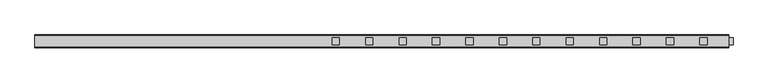
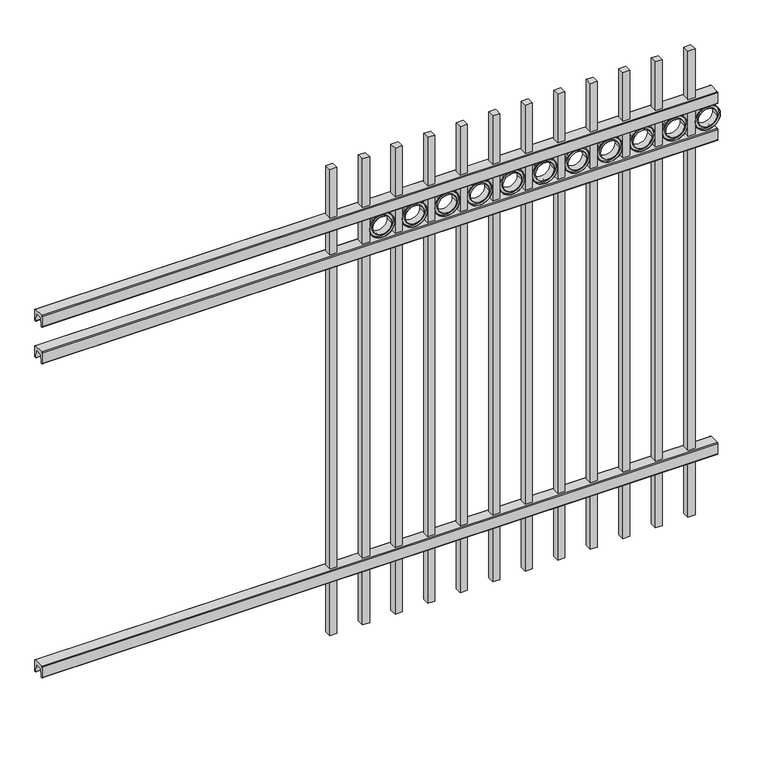
"""IFC4 building model written with IfcOpenShell, lengths in millimetres: railing geometry."""

from ifc_helpers import new_model, si_unit, point, frame, frame_2d, origin, place, context, project, spatial, polyline, circle_curve, trimmed, segment, composite_curve, outline, extrude, source, transform, mapped, element, save


def railing_6672387f(model_context):
    return source(origin(), model_context, "Body", "SweptSolid", [
        extrude(outline(composite_curve([segment(polyline([(10349.9139761, 304.8), (10387.969541, 304.8)]), True, "CONTINUOUS"), segment(trimmed(circle_curve(frame_2d((10387.969541, 301.625)), 3.175), [point((10387.969541, 304.8))], [point((10391.144541, 301.625))], False, "CARTESIAN"), True, "CONTINUOUS"), segment(polyline([(10391.144541, 301.625), (10391.144541, 262.1439893)]), True, "CONTINUOUS"), segment(trimmed(circle_curve(frame_2d((10389.3505518, 262.1439893)), 1.7939893), [point((10391.144541, 262.1439893))], [point((10389.3505518, 260.35))], False, "CARTESIAN"), True, "CONTINUOUS"), segment(polyline([(10389.3505518, 260.35), (10386.7590713, 260.35)]), True, "CONTINUOUS"), segment(trimmed(circle_curve(frame_2d((10386.7590713, 262.1359375)), 1.7859375), [point((10386.7590713, 260.35))], [point((10384.9755813, 262.0424688))], False, "CARTESIAN"), True, "CONTINUOUS"), segment(polyline([(10384.9755813, 262.0424688), (10383.4025867, 292.0569942), (10354.4364954, 292.0569942), (10352.8635007, 262.0424688)]), True, "CONTINUOUS"), segment(trimmed(circle_curve(frame_2d((10351.0800108, 262.1359375)), 1.7859375), [point((10352.8635007, 262.0424688))], [point((10351.0800108, 260.35))], False, "CARTESIAN"), True, "CONTINUOUS"), segment(polyline([(10351.0800108, 260.35), (10348.4804785, 260.35)]), True, "CONTINUOUS"), segment(trimmed(circle_curve(frame_2d((10348.4804785, 262.1359375)), 1.7859375), [point((10348.4804785, 260.35))], [point((10346.694541, 262.1359375))], False, "CARTESIAN"), True, "CONTINUOUS"), segment(polyline([(10346.694541, 262.1359375), (10346.694541, 301.5805649)]), True, "CONTINUOUS"), segment(trimmed(circle_curve(frame_2d((10349.9139761, 301.5805649)), 3.2194351), [point((10346.694541, 301.5805649))], [point((10349.9139761, 304.8))], False, "CARTESIAN"), True, "CONTINUOUS")], self_intersect=False)), frame((11485.3350064, 0.0, 0.0), z_axis=(1.0, 0.0, 0.0), x_axis=(0.0, 1.0, 0.0)), (0.0, 0.0, 1.0), 2438.4),
        extrude(outline(composite_curve([segment(polyline([(10349.9139761, 1503.3625), (10387.969541, 1503.3625)]), True, "CONTINUOUS"), segment(trimmed(circle_curve(frame_2d((10387.969541, 1500.1875)), 3.175), [point((10387.969541, 1503.3625))], [point((10391.144541, 1500.1875))], False, "CARTESIAN"), True, "CONTINUOUS"), segment(polyline([(10391.144541, 1500.1875), (10391.144541, 1460.7064893)]), True, "CONTINUOUS"), segment(trimmed(circle_curve(frame_2d((10389.3505518, 1460.7064893)), 1.7939893), [point((10391.144541, 1460.7064893))], [point((10389.3505518, 1458.9125))], False, "CARTESIAN"), True, "CONTINUOUS"), segment(polyline([(10389.3505518, 1458.9125), (10386.7590713, 1458.9125)]), True, "CONTINUOUS"), segment(trimmed(circle_curve(frame_2d((10386.7590713, 1460.6984375)), 1.7859375), [point((10386.7590713, 1458.9125))], [point((10384.9755813, 1460.6049688))], False, "CARTESIAN"), True, "CONTINUOUS"), segment(polyline([(10384.9755813, 1460.6049688), (10383.4025867, 1490.6194942), (10354.4364954, 1490.6194942), (10352.8635007, 1460.6049688)]), True, "CONTINUOUS"), segment(trimmed(circle_curve(frame_2d((10351.0800108, 1460.6984375)), 1.7859375), [point((10352.8635007, 1460.6049688))], [point((10351.0800108, 1458.9125))], False, "CARTESIAN"), True, "CONTINUOUS"), segment(polyline([(10351.0800108, 1458.9125), (10348.4804785, 1458.9125)]), True, "CONTINUOUS"), segment(trimmed(circle_curve(frame_2d((10348.4804785, 1460.6984375)), 1.7859375), [point((10348.4804785, 1458.9125))], [point((10346.694541, 1460.6984375))], False, "CARTESIAN"), True, "CONTINUOUS"), segment(polyline([(10346.694541, 1460.6984375), (10346.694541, 1500.1430649)]), True, "CONTINUOUS"), segment(trimmed(circle_curve(frame_2d((10349.9139761, 1500.1430649)), 3.2194351), [point((10346.694541, 1500.1430649))], [point((10349.9139761, 1503.3625))], False, "CARTESIAN"), True, "CONTINUOUS")], self_intersect=False)), frame((11485.3350064, 0.0, 0.0), z_axis=(1.0, 0.0, 0.0), x_axis=(0.0, 1.0, 0.0)), (0.0, 0.0, 1.0), 2438.4),
        extrude(outline(composite_curve([segment(polyline([(10349.9139761, 1643.0625), (10387.969541, 1643.0625)]), True, "CONTINUOUS"), segment(trimmed(circle_curve(frame_2d((10387.969541, 1639.8875)), 3.175), [point((10387.969541, 1643.0625))], [point((10391.144541, 1639.8875))], False, "CARTESIAN"), True, "CONTINUOUS"), segment(polyline([(10391.144541, 1639.8875), (10391.144541, 1600.4064893)]), True, "CONTINUOUS"), segment(trimmed(circle_curve(frame_2d((10389.3505518, 1600.4064893)), 1.7939893), [point((10391.144541, 1600.4064893))], [point((10389.3505518, 1598.6125))], False, "CARTESIAN"), True, "CONTINUOUS"), segment(polyline([(10389.3505518, 1598.6125), (10386.7590713, 1598.6125)]), True, "CONTINUOUS"), segment(trimmed(circle_curve(frame_2d((10386.7590713, 1600.3984375)), 1.7859375), [point((10386.7590713, 1598.6125))], [point((10384.9755813, 1600.3049688))], False, "CARTESIAN"), True, "CONTINUOUS"), segment(polyline([(10384.9755813, 1600.3049688), (10383.4025867, 1630.3194942), (10354.4364954, 1630.3194942), (10352.8635007, 1600.3049688)]), True, "CONTINUOUS"), segment(trimmed(circle_curve(frame_2d((10351.0800108, 1600.3984375)), 1.7859375), [point((10352.8635007, 1600.3049688))], [point((10351.0800108, 1598.6125))], False, "CARTESIAN"), True, "CONTINUOUS"), segment(polyline([(10351.0800108, 1598.6125), (10348.4804785, 1598.6125)]), True, "CONTINUOUS"), segment(trimmed(circle_curve(frame_2d((10348.4804785, 1600.3984375)), 1.7859375), [point((10348.4804785, 1598.6125))], [point((10346.694541, 1600.3984375))], False, "CARTESIAN"), True, "CONTINUOUS"), segment(polyline([(10346.694541, 1600.3984375), (10346.694541, 1639.8430649)]), True, "CONTINUOUS"), segment(trimmed(circle_curve(frame_2d((10349.9139761, 1639.8430649)), 3.2194351), [point((10346.694541, 1639.8430649))], [point((10349.9139761, 1643.0625))], False, "CARTESIAN"), True, "CONTINUOUS")], self_intersect=False)), frame((11485.3350064, 0.0, 0.0), z_axis=(1.0, 0.0, 0.0), x_axis=(0.0, 1.0, 0.0)), (0.0, 0.0, 1.0), 2438.4),
        extrude(outline(polyline([(13822.1350064, 10381.619541), (13847.5350064, 10381.619541), (13847.5350064, 10356.219541), (13822.1350064, 10356.219541), (13822.1350064, 10381.619541)])), frame((0.0, 0.0, 50.8), z_axis=(0.0, 0.0, 1.0), x_axis=(1.0, 0.0, 0.0)), (0.0, 0.0, 1.0), 1778.0),
        extrude(outline(composite_curve([segment(trimmed(circle_curve(frame_2d((1550.2040076, 13893.2338655)), 45.6988591), [point((1550.2040076, 13938.9327246))], [point((1550.2040076, 13847.5350064))], False, "CARTESIAN"), True, "CONTINUOUS"), segment(trimmed(circle_curve(frame_2d((1550.2040076, 13893.2338655)), 45.6988591), [point((1550.2040076, 13847.5350064))], [point((1550.2040076, 13938.9327246))], False, "CARTESIAN"), True, "CONTINUOUS")], self_intersect=False), holes=[composite_curve([segment(trimmed(circle_curve(frame_2d((1550.2040076, 13893.2338655)), 44.101539), [point((1550.2040076, 13937.3354045))], [point((1550.2040076, 13849.1323265))], True, "CARTESIAN"), True, "CONTINUOUS"), segment(trimmed(circle_curve(frame_2d((1550.2040076, 13893.2338655)), 44.101539), [point((1550.2040076, 13849.1323265))], [point((1550.2040076, 13937.3354045))], True, "CARTESIAN"), True, "CONTINUOUS")], self_intersect=False)]), frame((0.0, 10356.219541, 0.0), z_axis=(0.0, 1.0, 0.0), x_axis=(0.0, 0.0, 1.0)), (0.0, 0.0, 1.0), 25.4),
        extrude(outline(composite_curve([segment(trimmed(circle_curve(frame_2d((1550.2040076, 13893.2338655)), 34.6370762), [point((1550.2040076, 13927.8709417))], [point((1550.2040076, 13858.5967893))], False, "CARTESIAN"), True, "CONTINUOUS"), segment(trimmed(circle_curve(frame_2d((1550.2040076, 13893.2338655)), 34.6370762), [point((1550.2040076, 13858.5967893))], [point((1550.2040076, 13927.8709417))], False, "CARTESIAN"), True, "CONTINUOUS")], self_intersect=False), holes=[composite_curve([segment(trimmed(circle_curve(frame_2d((1550.2040076, 13893.2338655)), 33.0443887), [point((1550.2040076, 13926.2782542))], [point((1550.2040076, 13860.1894768))], True, "CARTESIAN"), True, "CONTINUOUS"), segment(trimmed(circle_curve(frame_2d((1550.2040076, 13893.2338655)), 33.0443887), [point((1550.2040076, 13860.1894768))], [point((1550.2040076, 13926.2782542))], True, "CARTESIAN"), True, "CONTINUOUS")], self_intersect=False)]), frame((0.0, 10356.219541, 0.0), z_axis=(0.0, 1.0, 0.0), x_axis=(0.0, 0.0, 1.0)), (0.0, 0.0, 1.0), 25.4),
        extrude(outline(composite_curve([segment(trimmed(circle_curve(frame_2d((1550.2040076, 13893.2338655)), 45.6988591), [point((1550.2040076, 13938.9327246))], [point((1550.2040076, 13847.5350064))], False, "CARTESIAN"), True, "CONTINUOUS"), segment(trimmed(circle_curve(frame_2d((1550.2040076, 13893.2338655)), 45.6988591), [point((1550.2040076, 13847.5350064))], [point((1550.2040076, 13938.9327246))], False, "CARTESIAN"), True, "CONTINUOUS")], self_intersect=False), holes=[composite_curve([segment(trimmed(circle_curve(frame_2d((1550.2040076, 13893.2338655)), 33.0443887), [point((1550.2040076, 13926.2782542))], [point((1550.2040076, 13860.1894768))], True, "CARTESIAN"), True, "CONTINUOUS"), segment(trimmed(circle_curve(frame_2d((1550.2040076, 13893.2338655)), 33.0443887), [point((1550.2040076, 13860.1894768))], [point((1550.2040076, 13926.2782542))], True, "CARTESIAN"), True, "CONTINUOUS")], self_intersect=False)]), frame((0.0, 10362.569541, 0.0), z_axis=(0.0, 1.0, 0.0), x_axis=(0.0, 0.0, 1.0)), (0.0, 0.0, 1.0), 12.7),
        extrude(outline(polyline([(13704.6600064, 10381.619541), (13730.0600064, 10381.619541), (13730.0600064, 10356.219541), (13704.6600064, 10356.219541), (13704.6600064, 10381.619541)])), frame((0.0, 0.0, 50.8), z_axis=(0.0, 0.0, 1.0), x_axis=(1.0, 0.0, 0.0)), (0.0, 0.0, 1.0), 1778.0),
        extrude(outline(composite_curve([segment(trimmed(circle_curve(frame_2d((1550.2040076, 13775.7588655)), 45.6988591), [point((1550.2040076, 13821.4577246))], [point((1550.2040076, 13730.0600064))], False, "CARTESIAN"), True, "CONTINUOUS"), segment(trimmed(circle_curve(frame_2d((1550.2040076, 13775.7588655)), 45.6988591), [point((1550.2040076, 13730.0600064))], [point((1550.2040076, 13821.4577246))], False, "CARTESIAN"), True, "CONTINUOUS")], self_intersect=False), holes=[composite_curve([segment(trimmed(circle_curve(frame_2d((1550.2040076, 13775.7588655)), 44.101539), [point((1550.2040076, 13819.8604045))], [point((1550.2040076, 13731.6573265))], True, "CARTESIAN"), True, "CONTINUOUS"), segment(trimmed(circle_curve(frame_2d((1550.2040076, 13775.7588655)), 44.101539), [point((1550.2040076, 13731.6573265))], [point((1550.2040076, 13819.8604045))], True, "CARTESIAN"), True, "CONTINUOUS")], self_intersect=False)]), frame((0.0, 10356.219541, 0.0), z_axis=(0.0, 1.0, 0.0), x_axis=(0.0, 0.0, 1.0)), (0.0, 0.0, 1.0), 25.4),
        extrude(outline(composite_curve([segment(trimmed(circle_curve(frame_2d((1550.2040076, 13775.7588655)), 34.6370762), [point((1550.2040076, 13810.3959417))], [point((1550.2040076, 13741.1217893))], False, "CARTESIAN"), True, "CONTINUOUS"), segment(trimmed(circle_curve(frame_2d((1550.2040076, 13775.7588655)), 34.6370762), [point((1550.2040076, 13741.1217893))], [point((1550.2040076, 13810.3959417))], False, "CARTESIAN"), True, "CONTINUOUS")], self_intersect=False), holes=[composite_curve([segment(trimmed(circle_curve(frame_2d((1550.2040076, 13775.7588655)), 33.0443887), [point((1550.2040076, 13808.8032542))], [point((1550.2040076, 13742.7144768))], True, "CARTESIAN"), True, "CONTINUOUS"), segment(trimmed(circle_curve(frame_2d((1550.2040076, 13775.7588655)), 33.0443887), [point((1550.2040076, 13742.7144768))], [point((1550.2040076, 13808.8032542))], True, "CARTESIAN"), True, "CONTINUOUS")], self_intersect=False)]), frame((0.0, 10356.219541, 0.0), z_axis=(0.0, 1.0, 0.0), x_axis=(0.0, 0.0, 1.0)), (0.0, 0.0, 1.0), 25.4),
        extrude(outline(composite_curve([segment(trimmed(circle_curve(frame_2d((1550.2040076, 13775.7588655)), 45.6988591), [point((1550.2040076, 13821.4577246))], [point((1550.2040076, 13730.0600064))], False, "CARTESIAN"), True, "CONTINUOUS"), segment(trimmed(circle_curve(frame_2d((1550.2040076, 13775.7588655)), 45.6988591), [point((1550.2040076, 13730.0600064))], [point((1550.2040076, 13821.4577246))], False, "CARTESIAN"), True, "CONTINUOUS")], self_intersect=False), holes=[composite_curve([segment(trimmed(circle_curve(frame_2d((1550.2040076, 13775.7588655)), 33.0443887), [point((1550.2040076, 13808.8032542))], [point((1550.2040076, 13742.7144768))], True, "CARTESIAN"), True, "CONTINUOUS"), segment(trimmed(circle_curve(frame_2d((1550.2040076, 13775.7588655)), 33.0443887), [point((1550.2040076, 13742.7144768))], [point((1550.2040076, 13808.8032542))], True, "CARTESIAN"), True, "CONTINUOUS")], self_intersect=False)]), frame((0.0, 10362.569541, 0.0), z_axis=(0.0, 1.0, 0.0), x_axis=(0.0, 0.0, 1.0)), (0.0, 0.0, 1.0), 12.7),
        extrude(outline(polyline([(13587.1850064, 10381.619541), (13612.5850064, 10381.619541), (13612.5850064, 10356.219541), (13587.1850064, 10356.219541), (13587.1850064, 10381.619541)])), frame((0.0, 0.0, 50.8), z_axis=(0.0, 0.0, 1.0), x_axis=(1.0, 0.0, 0.0)), (0.0, 0.0, 1.0), 1778.0),
        extrude(outline(composite_curve([segment(trimmed(circle_curve(frame_2d((1550.2040076, 13658.2838655)), 45.6988591), [point((1550.2040076, 13703.9827246))], [point((1550.2040076, 13612.5850064))], False, "CARTESIAN"), True, "CONTINUOUS"), segment(trimmed(circle_curve(frame_2d((1550.2040076, 13658.2838655)), 45.6988591), [point((1550.2040076, 13612.5850064))], [point((1550.2040076, 13703.9827246))], False, "CARTESIAN"), True, "CONTINUOUS")], self_intersect=False), holes=[composite_curve([segment(trimmed(circle_curve(frame_2d((1550.2040076, 13658.2838655)), 44.101539), [point((1550.2040076, 13702.3854045))], [point((1550.2040076, 13614.1823265))], True, "CARTESIAN"), True, "CONTINUOUS"), segment(trimmed(circle_curve(frame_2d((1550.2040076, 13658.2838655)), 44.101539), [point((1550.2040076, 13614.1823265))], [point((1550.2040076, 13702.3854045))], True, "CARTESIAN"), True, "CONTINUOUS")], self_intersect=False)]), frame((0.0, 10356.219541, 0.0), z_axis=(0.0, 1.0, 0.0), x_axis=(0.0, 0.0, 1.0)), (0.0, 0.0, 1.0), 25.4),
        extrude(outline(composite_curve([segment(trimmed(circle_curve(frame_2d((1550.2040076, 13658.2838655)), 34.6370762), [point((1550.2040076, 13692.9209417))], [point((1550.2040076, 13623.6467893))], False, "CARTESIAN"), True, "CONTINUOUS"), segment(trimmed(circle_curve(frame_2d((1550.2040076, 13658.2838655)), 34.6370762), [point((1550.2040076, 13623.6467893))], [point((1550.2040076, 13692.9209417))], False, "CARTESIAN"), True, "CONTINUOUS")], self_intersect=False), holes=[composite_curve([segment(trimmed(circle_curve(frame_2d((1550.2040076, 13658.2838655)), 33.0443887), [point((1550.2040076, 13691.3282542))], [point((1550.2040076, 13625.2394768))], True, "CARTESIAN"), True, "CONTINUOUS"), segment(trimmed(circle_curve(frame_2d((1550.2040076, 13658.2838655)), 33.0443887), [point((1550.2040076, 13625.2394768))], [point((1550.2040076, 13691.3282542))], True, "CARTESIAN"), True, "CONTINUOUS")], self_intersect=False)]), frame((0.0, 10356.219541, 0.0), z_axis=(0.0, 1.0, 0.0), x_axis=(0.0, 0.0, 1.0)), (0.0, 0.0, 1.0), 25.4),
        extrude(outline(composite_curve([segment(trimmed(circle_curve(frame_2d((1550.2040076, 13658.2838655)), 45.6988591), [point((1550.2040076, 13703.9827246))], [point((1550.2040076, 13612.5850064))], False, "CARTESIAN"), True, "CONTINUOUS"), segment(trimmed(circle_curve(frame_2d((1550.2040076, 13658.2838655)), 45.6988591), [point((1550.2040076, 13612.5850064))], [point((1550.2040076, 13703.9827246))], False, "CARTESIAN"), True, "CONTINUOUS")], self_intersect=False), holes=[composite_curve([segment(trimmed(circle_curve(frame_2d((1550.2040076, 13658.2838655)), 33.0443887), [point((1550.2040076, 13691.3282542))], [point((1550.2040076, 13625.2394768))], True, "CARTESIAN"), True, "CONTINUOUS"), segment(trimmed(circle_curve(frame_2d((1550.2040076, 13658.2838655)), 33.0443887), [point((1550.2040076, 13625.2394768))], [point((1550.2040076, 13691.3282542))], True, "CARTESIAN"), True, "CONTINUOUS")], self_intersect=False)]), frame((0.0, 10362.569541, 0.0), z_axis=(0.0, 1.0, 0.0), x_axis=(0.0, 0.0, 1.0)), (0.0, 0.0, 1.0), 12.7),
        extrude(outline(polyline([(13469.7100064, 10381.619541), (13495.1100064, 10381.619541), (13495.1100064, 10356.219541), (13469.7100064, 10356.219541), (13469.7100064, 10381.619541)])), frame((0.0, 0.0, 50.8), z_axis=(0.0, 0.0, 1.0), x_axis=(1.0, 0.0, 0.0)), (0.0, 0.0, 1.0), 1778.0),
        extrude(outline(composite_curve([segment(trimmed(circle_curve(frame_2d((1550.2040076, 13540.8088655)), 45.6988591), [point((1550.2040076, 13586.5077246))], [point((1550.2040076, 13495.1100064))], False, "CARTESIAN"), True, "CONTINUOUS"), segment(trimmed(circle_curve(frame_2d((1550.2040076, 13540.8088655)), 45.6988591), [point((1550.2040076, 13495.1100064))], [point((1550.2040076, 13586.5077246))], False, "CARTESIAN"), True, "CONTINUOUS")], self_intersect=False), holes=[composite_curve([segment(trimmed(circle_curve(frame_2d((1550.2040076, 13540.8088655)), 44.101539), [point((1550.2040076, 13584.9104045))], [point((1550.2040076, 13496.7073265))], True, "CARTESIAN"), True, "CONTINUOUS"), segment(trimmed(circle_curve(frame_2d((1550.2040076, 13540.8088655)), 44.101539), [point((1550.2040076, 13496.7073265))], [point((1550.2040076, 13584.9104045))], True, "CARTESIAN"), True, "CONTINUOUS")], self_intersect=False)]), frame((0.0, 10356.219541, 0.0), z_axis=(0.0, 1.0, 0.0), x_axis=(0.0, 0.0, 1.0)), (0.0, 0.0, 1.0), 25.4),
        extrude(outline(composite_curve([segment(trimmed(circle_curve(frame_2d((1550.2040076, 13540.8088655)), 34.6370762), [point((1550.2040076, 13575.4459417))], [point((1550.2040076, 13506.1717893))], False, "CARTESIAN"), True, "CONTINUOUS"), segment(trimmed(circle_curve(frame_2d((1550.2040076, 13540.8088655)), 34.6370762), [point((1550.2040076, 13506.1717893))], [point((1550.2040076, 13575.4459417))], False, "CARTESIAN"), True, "CONTINUOUS")], self_intersect=False), holes=[composite_curve([segment(trimmed(circle_curve(frame_2d((1550.2040076, 13540.8088655)), 33.0443887), [point((1550.2040076, 13573.8532542))], [point((1550.2040076, 13507.7644768))], True, "CARTESIAN"), True, "CONTINUOUS"), segment(trimmed(circle_curve(frame_2d((1550.2040076, 13540.8088655)), 33.0443887), [point((1550.2040076, 13507.7644768))], [point((1550.2040076, 13573.8532542))], True, "CARTESIAN"), True, "CONTINUOUS")], self_intersect=False)]), frame((0.0, 10356.219541, 0.0), z_axis=(0.0, 1.0, 0.0), x_axis=(0.0, 0.0, 1.0)), (0.0, 0.0, 1.0), 25.4),
        extrude(outline(composite_curve([segment(trimmed(circle_curve(frame_2d((1550.2040076, 13540.8088655)), 45.6988591), [point((1550.2040076, 13586.5077246))], [point((1550.2040076, 13495.1100064))], False, "CARTESIAN"), True, "CONTINUOUS"), segment(trimmed(circle_curve(frame_2d((1550.2040076, 13540.8088655)), 45.6988591), [point((1550.2040076, 13495.1100064))], [point((1550.2040076, 13586.5077246))], False, "CARTESIAN"), True, "CONTINUOUS")], self_intersect=False), holes=[composite_curve([segment(trimmed(circle_curve(frame_2d((1550.2040076, 13540.8088655)), 33.0443887), [point((1550.2040076, 13573.8532542))], [point((1550.2040076, 13507.7644768))], True, "CARTESIAN"), True, "CONTINUOUS"), segment(trimmed(circle_curve(frame_2d((1550.2040076, 13540.8088655)), 33.0443887), [point((1550.2040076, 13507.7644768))], [point((1550.2040076, 13573.8532542))], True, "CARTESIAN"), True, "CONTINUOUS")], self_intersect=False)]), frame((0.0, 10362.569541, 0.0), z_axis=(0.0, 1.0, 0.0), x_axis=(0.0, 0.0, 1.0)), (0.0, 0.0, 1.0), 12.7),
        extrude(outline(polyline([(13352.2350064, 10381.619541), (13377.6350064, 10381.619541), (13377.6350064, 10356.219541), (13352.2350064, 10356.219541), (13352.2350064, 10381.619541)])), frame((0.0, 0.0, 50.8), z_axis=(0.0, 0.0, 1.0), x_axis=(1.0, 0.0, 0.0)), (0.0, 0.0, 1.0), 1778.0),
        extrude(outline(composite_curve([segment(trimmed(circle_curve(frame_2d((1550.2040076, 13423.3338655)), 45.6988591), [point((1550.2040076, 13469.0327246))], [point((1550.2040076, 13377.6350064))], False, "CARTESIAN"), True, "CONTINUOUS"), segment(trimmed(circle_curve(frame_2d((1550.2040076, 13423.3338655)), 45.6988591), [point((1550.2040076, 13377.6350064))], [point((1550.2040076, 13469.0327246))], False, "CARTESIAN"), True, "CONTINUOUS")], self_intersect=False), holes=[composite_curve([segment(trimmed(circle_curve(frame_2d((1550.2040076, 13423.3338655)), 44.101539), [point((1550.2040076, 13467.4354045))], [point((1550.2040076, 13379.2323265))], True, "CARTESIAN"), True, "CONTINUOUS"), segment(trimmed(circle_curve(frame_2d((1550.2040076, 13423.3338655)), 44.101539), [point((1550.2040076, 13379.2323265))], [point((1550.2040076, 13467.4354045))], True, "CARTESIAN"), True, "CONTINUOUS")], self_intersect=False)]), frame((0.0, 10356.219541, 0.0), z_axis=(0.0, 1.0, 0.0), x_axis=(0.0, 0.0, 1.0)), (0.0, 0.0, 1.0), 25.4),
        extrude(outline(composite_curve([segment(trimmed(circle_curve(frame_2d((1550.2040076, 13423.3338655)), 34.6370762), [point((1550.2040076, 13457.9709417))], [point((1550.2040076, 13388.6967893))], False, "CARTESIAN"), True, "CONTINUOUS"), segment(trimmed(circle_curve(frame_2d((1550.2040076, 13423.3338655)), 34.6370762), [point((1550.2040076, 13388.6967893))], [point((1550.2040076, 13457.9709417))], False, "CARTESIAN"), True, "CONTINUOUS")], self_intersect=False), holes=[composite_curve([segment(trimmed(circle_curve(frame_2d((1550.2040076, 13423.3338655)), 33.0443887), [point((1550.2040076, 13456.3782542))], [point((1550.2040076, 13390.2894768))], True, "CARTESIAN"), True, "CONTINUOUS"), segment(trimmed(circle_curve(frame_2d((1550.2040076, 13423.3338655)), 33.0443887), [point((1550.2040076, 13390.2894768))], [point((1550.2040076, 13456.3782542))], True, "CARTESIAN"), True, "CONTINUOUS")], self_intersect=False)]), frame((0.0, 10356.219541, 0.0), z_axis=(0.0, 1.0, 0.0), x_axis=(0.0, 0.0, 1.0)), (0.0, 0.0, 1.0), 25.4),
        extrude(outline(composite_curve([segment(trimmed(circle_curve(frame_2d((1550.2040076, 13423.3338655)), 45.6988591), [point((1550.2040076, 13469.0327246))], [point((1550.2040076, 13377.6350064))], False, "CARTESIAN"), True, "CONTINUOUS"), segment(trimmed(circle_curve(frame_2d((1550.2040076, 13423.3338655)), 45.6988591), [point((1550.2040076, 13377.6350064))], [point((1550.2040076, 13469.0327246))], False, "CARTESIAN"), True, "CONTINUOUS")], self_intersect=False), holes=[composite_curve([segment(trimmed(circle_curve(frame_2d((1550.2040076, 13423.3338655)), 33.0443887), [point((1550.2040076, 13456.3782542))], [point((1550.2040076, 13390.2894768))], True, "CARTESIAN"), True, "CONTINUOUS"), segment(trimmed(circle_curve(frame_2d((1550.2040076, 13423.3338655)), 33.0443887), [point((1550.2040076, 13390.2894768))], [point((1550.2040076, 13456.3782542))], True, "CARTESIAN"), True, "CONTINUOUS")], self_intersect=False)]), frame((0.0, 10362.569541, 0.0), z_axis=(0.0, 1.0, 0.0), x_axis=(0.0, 0.0, 1.0)), (0.0, 0.0, 1.0), 12.7),
        extrude(outline(polyline([(13234.7600064, 10381.619541), (13260.1600064, 10381.619541), (13260.1600064, 10356.219541), (13234.7600064, 10356.219541), (13234.7600064, 10381.619541)])), frame((0.0, 0.0, 50.8), z_axis=(0.0, 0.0, 1.0), x_axis=(1.0, 0.0, 0.0)), (0.0, 0.0, 1.0), 1778.0),
        extrude(outline(composite_curve([segment(trimmed(circle_curve(frame_2d((1550.2040076, 13305.8588655)), 45.6988591), [point((1550.2040076, 13351.5577246))], [point((1550.2040076, 13260.1600064))], False, "CARTESIAN"), True, "CONTINUOUS"), segment(trimmed(circle_curve(frame_2d((1550.2040076, 13305.8588655)), 45.6988591), [point((1550.2040076, 13260.1600064))], [point((1550.2040076, 13351.5577246))], False, "CARTESIAN"), True, "CONTINUOUS")], self_intersect=False), holes=[composite_curve([segment(trimmed(circle_curve(frame_2d((1550.2040076, 13305.8588655)), 44.101539), [point((1550.2040076, 13349.9604045))], [point((1550.2040076, 13261.7573265))], True, "CARTESIAN"), True, "CONTINUOUS"), segment(trimmed(circle_curve(frame_2d((1550.2040076, 13305.8588655)), 44.101539), [point((1550.2040076, 13261.7573265))], [point((1550.2040076, 13349.9604045))], True, "CARTESIAN"), True, "CONTINUOUS")], self_intersect=False)]), frame((0.0, 10356.219541, 0.0), z_axis=(0.0, 1.0, 0.0), x_axis=(0.0, 0.0, 1.0)), (0.0, 0.0, 1.0), 25.4),
        extrude(outline(composite_curve([segment(trimmed(circle_curve(frame_2d((1550.2040076, 13305.8588655)), 34.6370762), [point((1550.2040076, 13340.4959417))], [point((1550.2040076, 13271.2217893))], False, "CARTESIAN"), True, "CONTINUOUS"), segment(trimmed(circle_curve(frame_2d((1550.2040076, 13305.8588655)), 34.6370762), [point((1550.2040076, 13271.2217893))], [point((1550.2040076, 13340.4959417))], False, "CARTESIAN"), True, "CONTINUOUS")], self_intersect=False), holes=[composite_curve([segment(trimmed(circle_curve(frame_2d((1550.2040076, 13305.8588655)), 33.0443887), [point((1550.2040076, 13338.9032542))], [point((1550.2040076, 13272.8144768))], True, "CARTESIAN"), True, "CONTINUOUS"), segment(trimmed(circle_curve(frame_2d((1550.2040076, 13305.8588655)), 33.0443887), [point((1550.2040076, 13272.8144768))], [point((1550.2040076, 13338.9032542))], True, "CARTESIAN"), True, "CONTINUOUS")], self_intersect=False)]), frame((0.0, 10356.219541, 0.0), z_axis=(0.0, 1.0, 0.0), x_axis=(0.0, 0.0, 1.0)), (0.0, 0.0, 1.0), 25.4),
        extrude(outline(composite_curve([segment(trimmed(circle_curve(frame_2d((1550.2040076, 13305.8588655)), 45.6988591), [point((1550.2040076, 13351.5577246))], [point((1550.2040076, 13260.1600064))], False, "CARTESIAN"), True, "CONTINUOUS"), segment(trimmed(circle_curve(frame_2d((1550.2040076, 13305.8588655)), 45.6988591), [point((1550.2040076, 13260.1600064))], [point((1550.2040076, 13351.5577246))], False, "CARTESIAN"), True, "CONTINUOUS")], self_intersect=False), holes=[composite_curve([segment(trimmed(circle_curve(frame_2d((1550.2040076, 13305.8588655)), 33.0443887), [point((1550.2040076, 13338.9032542))], [point((1550.2040076, 13272.8144768))], True, "CARTESIAN"), True, "CONTINUOUS"), segment(trimmed(circle_curve(frame_2d((1550.2040076, 13305.8588655)), 33.0443887), [point((1550.2040076, 13272.8144768))], [point((1550.2040076, 13338.9032542))], True, "CARTESIAN"), True, "CONTINUOUS")], self_intersect=False)]), frame((0.0, 10362.569541, 0.0), z_axis=(0.0, 1.0, 0.0), x_axis=(0.0, 0.0, 1.0)), (0.0, 0.0, 1.0), 12.7),
        extrude(outline(polyline([(13117.2850064, 10381.619541), (13142.6850064, 10381.619541), (13142.6850064, 10356.219541), (13117.2850064, 10356.219541), (13117.2850064, 10381.619541)])), frame((0.0, 0.0, 50.8), z_axis=(0.0, 0.0, 1.0), x_axis=(1.0, 0.0, 0.0)), (0.0, 0.0, 1.0), 1778.0),
        extrude(outline(composite_curve([segment(trimmed(circle_curve(frame_2d((1550.2040076, 13188.3838655)), 45.6988591), [point((1550.2040076, 13234.0827246))], [point((1550.2040076, 13142.6850064))], False, "CARTESIAN"), True, "CONTINUOUS"), segment(trimmed(circle_curve(frame_2d((1550.2040076, 13188.3838655)), 45.6988591), [point((1550.2040076, 13142.6850064))], [point((1550.2040076, 13234.0827246))], False, "CARTESIAN"), True, "CONTINUOUS")], self_intersect=False), holes=[composite_curve([segment(trimmed(circle_curve(frame_2d((1550.2040076, 13188.3838655)), 44.101539), [point((1550.2040076, 13232.4854045))], [point((1550.2040076, 13144.2823265))], True, "CARTESIAN"), True, "CONTINUOUS"), segment(trimmed(circle_curve(frame_2d((1550.2040076, 13188.3838655)), 44.101539), [point((1550.2040076, 13144.2823265))], [point((1550.2040076, 13232.4854045))], True, "CARTESIAN"), True, "CONTINUOUS")], self_intersect=False)]), frame((0.0, 10356.219541, 0.0), z_axis=(0.0, 1.0, 0.0), x_axis=(0.0, 0.0, 1.0)), (0.0, 0.0, 1.0), 25.4),
        extrude(outline(composite_curve([segment(trimmed(circle_curve(frame_2d((1550.2040076, 13188.3838655)), 34.6370762), [point((1550.2040076, 13223.0209417))], [point((1550.2040076, 13153.7467893))], False, "CARTESIAN"), True, "CONTINUOUS"), segment(trimmed(circle_curve(frame_2d((1550.2040076, 13188.3838655)), 34.6370762), [point((1550.2040076, 13153.7467893))], [point((1550.2040076, 13223.0209417))], False, "CARTESIAN"), True, "CONTINUOUS")], self_intersect=False), holes=[composite_curve([segment(trimmed(circle_curve(frame_2d((1550.2040076, 13188.3838655)), 33.0443887), [point((1550.2040076, 13221.4282542))], [point((1550.2040076, 13155.3394768))], True, "CARTESIAN"), True, "CONTINUOUS"), segment(trimmed(circle_curve(frame_2d((1550.2040076, 13188.3838655)), 33.0443887), [point((1550.2040076, 13155.3394768))], [point((1550.2040076, 13221.4282542))], True, "CARTESIAN"), True, "CONTINUOUS")], self_intersect=False)]), frame((0.0, 10356.219541, 0.0), z_axis=(0.0, 1.0, 0.0), x_axis=(0.0, 0.0, 1.0)), (0.0, 0.0, 1.0), 25.4),
        extrude(outline(composite_curve([segment(trimmed(circle_curve(frame_2d((1550.2040076, 13188.3838655)), 45.6988591), [point((1550.2040076, 13234.0827246))], [point((1550.2040076, 13142.6850064))], False, "CARTESIAN"), True, "CONTINUOUS"), segment(trimmed(circle_curve(frame_2d((1550.2040076, 13188.3838655)), 45.6988591), [point((1550.2040076, 13142.6850064))], [point((1550.2040076, 13234.0827246))], False, "CARTESIAN"), True, "CONTINUOUS")], self_intersect=False), holes=[composite_curve([segment(trimmed(circle_curve(frame_2d((1550.2040076, 13188.3838655)), 33.0443887), [point((1550.2040076, 13221.4282542))], [point((1550.2040076, 13155.3394768))], True, "CARTESIAN"), True, "CONTINUOUS"), segment(trimmed(circle_curve(frame_2d((1550.2040076, 13188.3838655)), 33.0443887), [point((1550.2040076, 13155.3394768))], [point((1550.2040076, 13221.4282542))], True, "CARTESIAN"), True, "CONTINUOUS")], self_intersect=False)]), frame((0.0, 10362.569541, 0.0), z_axis=(0.0, 1.0, 0.0), x_axis=(0.0, 0.0, 1.0)), (0.0, 0.0, 1.0), 12.7),
        extrude(outline(polyline([(12999.8100064, 10381.619541), (13025.2100064, 10381.619541), (13025.2100064, 10356.219541), (12999.8100064, 10356.219541), (12999.8100064, 10381.619541)])), frame((0.0, 0.0, 50.8), z_axis=(0.0, 0.0, 1.0), x_axis=(1.0, 0.0, 0.0)), (0.0, 0.0, 1.0), 1778.0),
        extrude(outline(composite_curve([segment(trimmed(circle_curve(frame_2d((1550.2040076, 13070.9088655)), 45.6988591), [point((1550.2040076, 13116.6077246))], [point((1550.2040076, 13025.2100064))], False, "CARTESIAN"), True, "CONTINUOUS"), segment(trimmed(circle_curve(frame_2d((1550.2040076, 13070.9088655)), 45.6988591), [point((1550.2040076, 13025.2100064))], [point((1550.2040076, 13116.6077246))], False, "CARTESIAN"), True, "CONTINUOUS")], self_intersect=False), holes=[composite_curve([segment(trimmed(circle_curve(frame_2d((1550.2040076, 13070.9088655)), 44.101539), [point((1550.2040076, 13115.0104045))], [point((1550.2040076, 13026.8073265))], True, "CARTESIAN"), True, "CONTINUOUS"), segment(trimmed(circle_curve(frame_2d((1550.2040076, 13070.9088655)), 44.101539), [point((1550.2040076, 13026.8073265))], [point((1550.2040076, 13115.0104045))], True, "CARTESIAN"), True, "CONTINUOUS")], self_intersect=False)]), frame((0.0, 10356.219541, 0.0), z_axis=(0.0, 1.0, 0.0), x_axis=(0.0, 0.0, 1.0)), (0.0, 0.0, 1.0), 25.4),
        extrude(outline(composite_curve([segment(trimmed(circle_curve(frame_2d((1550.2040076, 13070.9088655)), 34.6370762), [point((1550.2040076, 13105.5459417))], [point((1550.2040076, 13036.2717893))], False, "CARTESIAN"), True, "CONTINUOUS"), segment(trimmed(circle_curve(frame_2d((1550.2040076, 13070.9088655)), 34.6370762), [point((1550.2040076, 13036.2717893))], [point((1550.2040076, 13105.5459417))], False, "CARTESIAN"), True, "CONTINUOUS")], self_intersect=False), holes=[composite_curve([segment(trimmed(circle_curve(frame_2d((1550.2040076, 13070.9088655)), 33.0443887), [point((1550.2040076, 13103.9532542))], [point((1550.2040076, 13037.8644768))], True, "CARTESIAN"), True, "CONTINUOUS"), segment(trimmed(circle_curve(frame_2d((1550.2040076, 13070.9088655)), 33.0443887), [point((1550.2040076, 13037.8644768))], [point((1550.2040076, 13103.9532542))], True, "CARTESIAN"), True, "CONTINUOUS")], self_intersect=False)]), frame((0.0, 10356.219541, 0.0), z_axis=(0.0, 1.0, 0.0), x_axis=(0.0, 0.0, 1.0)), (0.0, 0.0, 1.0), 25.4),
        extrude(outline(composite_curve([segment(trimmed(circle_curve(frame_2d((1550.2040076, 13070.9088655)), 45.6988591), [point((1550.2040076, 13116.6077246))], [point((1550.2040076, 13025.2100064))], False, "CARTESIAN"), True, "CONTINUOUS"), segment(trimmed(circle_curve(frame_2d((1550.2040076, 13070.9088655)), 45.6988591), [point((1550.2040076, 13025.2100064))], [point((1550.2040076, 13116.6077246))], False, "CARTESIAN"), True, "CONTINUOUS")], self_intersect=False), holes=[composite_curve([segment(trimmed(circle_curve(frame_2d((1550.2040076, 13070.9088655)), 33.0443887), [point((1550.2040076, 13103.9532542))], [point((1550.2040076, 13037.8644768))], True, "CARTESIAN"), True, "CONTINUOUS"), segment(trimmed(circle_curve(frame_2d((1550.2040076, 13070.9088655)), 33.0443887), [point((1550.2040076, 13037.8644768))], [point((1550.2040076, 13103.9532542))], True, "CARTESIAN"), True, "CONTINUOUS")], self_intersect=False)]), frame((0.0, 10362.569541, 0.0), z_axis=(0.0, 1.0, 0.0), x_axis=(0.0, 0.0, 1.0)), (0.0, 0.0, 1.0), 12.7),
        extrude(outline(polyline([(12882.3350064, 10381.619541), (12907.7350064, 10381.619541), (12907.7350064, 10356.219541), (12882.3350064, 10356.219541), (12882.3350064, 10381.619541)])), frame((0.0, 0.0, 50.8), z_axis=(0.0, 0.0, 1.0), x_axis=(1.0, 0.0, 0.0)), (0.0, 0.0, 1.0), 1778.0),
        extrude(outline(composite_curve([segment(trimmed(circle_curve(frame_2d((1550.2040076, 12953.4338655)), 45.6988591), [point((1550.2040076, 12999.1327246))], [point((1550.2040076, 12907.7350064))], False, "CARTESIAN"), True, "CONTINUOUS"), segment(trimmed(circle_curve(frame_2d((1550.2040076, 12953.4338655)), 45.6988591), [point((1550.2040076, 12907.7350064))], [point((1550.2040076, 12999.1327246))], False, "CARTESIAN"), True, "CONTINUOUS")], self_intersect=False), holes=[composite_curve([segment(trimmed(circle_curve(frame_2d((1550.2040076, 12953.4338655)), 44.101539), [point((1550.2040076, 12997.5354045))], [point((1550.2040076, 12909.3323265))], True, "CARTESIAN"), True, "CONTINUOUS"), segment(trimmed(circle_curve(frame_2d((1550.2040076, 12953.4338655)), 44.101539), [point((1550.2040076, 12909.3323265))], [point((1550.2040076, 12997.5354045))], True, "CARTESIAN"), True, "CONTINUOUS")], self_intersect=False)]), frame((0.0, 10356.219541, 0.0), z_axis=(0.0, 1.0, 0.0), x_axis=(0.0, 0.0, 1.0)), (0.0, 0.0, 1.0), 25.4),
        extrude(outline(composite_curve([segment(trimmed(circle_curve(frame_2d((1550.2040076, 12953.4338655)), 34.6370762), [point((1550.2040076, 12988.0709417))], [point((1550.2040076, 12918.7967893))], False, "CARTESIAN"), True, "CONTINUOUS"), segment(trimmed(circle_curve(frame_2d((1550.2040076, 12953.4338655)), 34.6370762), [point((1550.2040076, 12918.7967893))], [point((1550.2040076, 12988.0709417))], False, "CARTESIAN"), True, "CONTINUOUS")], self_intersect=False), holes=[composite_curve([segment(trimmed(circle_curve(frame_2d((1550.2040076, 12953.4338655)), 33.0443887), [point((1550.2040076, 12986.4782542))], [point((1550.2040076, 12920.3894768))], True, "CARTESIAN"), True, "CONTINUOUS"), segment(trimmed(circle_curve(frame_2d((1550.2040076, 12953.4338655)), 33.0443887), [point((1550.2040076, 12920.3894768))], [point((1550.2040076, 12986.4782542))], True, "CARTESIAN"), True, "CONTINUOUS")], self_intersect=False)]), frame((0.0, 10356.219541, 0.0), z_axis=(0.0, 1.0, 0.0), x_axis=(0.0, 0.0, 1.0)), (0.0, 0.0, 1.0), 25.4),
        extrude(outline(composite_curve([segment(trimmed(circle_curve(frame_2d((1550.2040076, 12953.4338655)), 45.6988591), [point((1550.2040076, 12999.1327246))], [point((1550.2040076, 12907.7350064))], False, "CARTESIAN"), True, "CONTINUOUS"), segment(trimmed(circle_curve(frame_2d((1550.2040076, 12953.4338655)), 45.6988591), [point((1550.2040076, 12907.7350064))], [point((1550.2040076, 12999.1327246))], False, "CARTESIAN"), True, "CONTINUOUS")], self_intersect=False), holes=[composite_curve([segment(trimmed(circle_curve(frame_2d((1550.2040076, 12953.4338655)), 33.0443887), [point((1550.2040076, 12986.4782542))], [point((1550.2040076, 12920.3894768))], True, "CARTESIAN"), True, "CONTINUOUS"), segment(trimmed(circle_curve(frame_2d((1550.2040076, 12953.4338655)), 33.0443887), [point((1550.2040076, 12920.3894768))], [point((1550.2040076, 12986.4782542))], True, "CARTESIAN"), True, "CONTINUOUS")], self_intersect=False)]), frame((0.0, 10362.569541, 0.0), z_axis=(0.0, 1.0, 0.0), x_axis=(0.0, 0.0, 1.0)), (0.0, 0.0, 1.0), 12.7),
        extrude(outline(polyline([(12764.8600064, 10381.619541), (12790.2600064, 10381.619541), (12790.2600064, 10356.219541), (12764.8600064, 10356.219541), (12764.8600064, 10381.619541)])), frame((0.0, 0.0, 50.8), z_axis=(0.0, 0.0, 1.0), x_axis=(1.0, 0.0, 0.0)), (0.0, 0.0, 1.0), 1778.0),
        extrude(outline(composite_curve([segment(trimmed(circle_curve(frame_2d((1550.2040076, 12835.9588655)), 45.6988591), [point((1550.2040076, 12881.6577246))], [point((1550.2040076, 12790.2600064))], False, "CARTESIAN"), True, "CONTINUOUS"), segment(trimmed(circle_curve(frame_2d((1550.2040076, 12835.9588655)), 45.6988591), [point((1550.2040076, 12790.2600064))], [point((1550.2040076, 12881.6577246))], False, "CARTESIAN"), True, "CONTINUOUS")], self_intersect=False), holes=[composite_curve([segment(trimmed(circle_curve(frame_2d((1550.2040076, 12835.9588655)), 44.101539), [point((1550.2040076, 12880.0604045))], [point((1550.2040076, 12791.8573265))], True, "CARTESIAN"), True, "CONTINUOUS"), segment(trimmed(circle_curve(frame_2d((1550.2040076, 12835.9588655)), 44.101539), [point((1550.2040076, 12791.8573265))], [point((1550.2040076, 12880.0604045))], True, "CARTESIAN"), True, "CONTINUOUS")], self_intersect=False)]), frame((0.0, 10356.219541, 0.0), z_axis=(0.0, 1.0, 0.0), x_axis=(0.0, 0.0, 1.0)), (0.0, 0.0, 1.0), 25.4),
        extrude(outline(composite_curve([segment(trimmed(circle_curve(frame_2d((1550.2040076, 12835.9588655)), 34.6370762), [point((1550.2040076, 12870.5959417))], [point((1550.2040076, 12801.3217893))], False, "CARTESIAN"), True, "CONTINUOUS"), segment(trimmed(circle_curve(frame_2d((1550.2040076, 12835.9588655)), 34.6370762), [point((1550.2040076, 12801.3217893))], [point((1550.2040076, 12870.5959417))], False, "CARTESIAN"), True, "CONTINUOUS")], self_intersect=False), holes=[composite_curve([segment(trimmed(circle_curve(frame_2d((1550.2040076, 12835.9588655)), 33.0443887), [point((1550.2040076, 12869.0032542))], [point((1550.2040076, 12802.9144768))], True, "CARTESIAN"), True, "CONTINUOUS"), segment(trimmed(circle_curve(frame_2d((1550.2040076, 12835.9588655)), 33.0443887), [point((1550.2040076, 12802.9144768))], [point((1550.2040076, 12869.0032542))], True, "CARTESIAN"), True, "CONTINUOUS")], self_intersect=False)]), frame((0.0, 10356.219541, 0.0), z_axis=(0.0, 1.0, 0.0), x_axis=(0.0, 0.0, 1.0)), (0.0, 0.0, 1.0), 25.4),
        extrude(outline(composite_curve([segment(trimmed(circle_curve(frame_2d((1550.2040076, 12835.9588655)), 45.6988591), [point((1550.2040076, 12881.6577246))], [point((1550.2040076, 12790.2600064))], False, "CARTESIAN"), True, "CONTINUOUS"), segment(trimmed(circle_curve(frame_2d((1550.2040076, 12835.9588655)), 45.6988591), [point((1550.2040076, 12790.2600064))], [point((1550.2040076, 12881.6577246))], False, "CARTESIAN"), True, "CONTINUOUS")], self_intersect=False), holes=[composite_curve([segment(trimmed(circle_curve(frame_2d((1550.2040076, 12835.9588655)), 33.0443887), [point((1550.2040076, 12869.0032542))], [point((1550.2040076, 12802.9144768))], True, "CARTESIAN"), True, "CONTINUOUS"), segment(trimmed(circle_curve(frame_2d((1550.2040076, 12835.9588655)), 33.0443887), [point((1550.2040076, 12802.9144768))], [point((1550.2040076, 12869.0032542))], True, "CARTESIAN"), True, "CONTINUOUS")], self_intersect=False)]), frame((0.0, 10362.569541, 0.0), z_axis=(0.0, 1.0, 0.0), x_axis=(0.0, 0.0, 1.0)), (0.0, 0.0, 1.0), 12.7),
        extrude(outline(polyline([(12647.3850064, 10381.619541), (12672.7850064, 10381.619541), (12672.7850064, 10356.219541), (12647.3850064, 10356.219541), (12647.3850064, 10381.619541)])), frame((0.0, 0.0, 50.8), z_axis=(0.0, 0.0, 1.0), x_axis=(1.0, 0.0, 0.0)), (0.0, 0.0, 1.0), 1778.0),
        extrude(outline(composite_curve([segment(trimmed(circle_curve(frame_2d((1550.2040076, 12718.4838655)), 45.6988591), [point((1550.2040076, 12764.1827246))], [point((1550.2040076, 12672.7850064))], False, "CARTESIAN"), True, "CONTINUOUS"), segment(trimmed(circle_curve(frame_2d((1550.2040076, 12718.4838655)), 45.6988591), [point((1550.2040076, 12672.7850064))], [point((1550.2040076, 12764.1827246))], False, "CARTESIAN"), True, "CONTINUOUS")], self_intersect=False), holes=[composite_curve([segment(trimmed(circle_curve(frame_2d((1550.2040076, 12718.4838655)), 44.101539), [point((1550.2040076, 12762.5854045))], [point((1550.2040076, 12674.3823265))], True, "CARTESIAN"), True, "CONTINUOUS"), segment(trimmed(circle_curve(frame_2d((1550.2040076, 12718.4838655)), 44.101539), [point((1550.2040076, 12674.3823265))], [point((1550.2040076, 12762.5854045))], True, "CARTESIAN"), True, "CONTINUOUS")], self_intersect=False)]), frame((0.0, 10356.219541, 0.0), z_axis=(0.0, 1.0, 0.0), x_axis=(0.0, 0.0, 1.0)), (0.0, 0.0, 1.0), 25.4),
        extrude(outline(composite_curve([segment(trimmed(circle_curve(frame_2d((1550.2040076, 12718.4838655)), 34.6370762), [point((1550.2040076, 12753.1209417))], [point((1550.2040076, 12683.8467893))], False, "CARTESIAN"), True, "CONTINUOUS"), segment(trimmed(circle_curve(frame_2d((1550.2040076, 12718.4838655)), 34.6370762), [point((1550.2040076, 12683.8467893))], [point((1550.2040076, 12753.1209417))], False, "CARTESIAN"), True, "CONTINUOUS")], self_intersect=False), holes=[composite_curve([segment(trimmed(circle_curve(frame_2d((1550.2040076, 12718.4838655)), 33.0443887), [point((1550.2040076, 12751.5282542))], [point((1550.2040076, 12685.4394768))], True, "CARTESIAN"), True, "CONTINUOUS"), segment(trimmed(circle_curve(frame_2d((1550.2040076, 12718.4838655)), 33.0443887), [point((1550.2040076, 12685.4394768))], [point((1550.2040076, 12751.5282542))], True, "CARTESIAN"), True, "CONTINUOUS")], self_intersect=False)]), frame((0.0, 10356.219541, 0.0), z_axis=(0.0, 1.0, 0.0), x_axis=(0.0, 0.0, 1.0)), (0.0, 0.0, 1.0), 25.4),
        extrude(outline(composite_curve([segment(trimmed(circle_curve(frame_2d((1550.2040076, 12718.4838655)), 45.6988591), [point((1550.2040076, 12764.1827246))], [point((1550.2040076, 12672.7850064))], False, "CARTESIAN"), True, "CONTINUOUS"), segment(trimmed(circle_curve(frame_2d((1550.2040076, 12718.4838655)), 45.6988591), [point((1550.2040076, 12672.7850064))], [point((1550.2040076, 12764.1827246))], False, "CARTESIAN"), True, "CONTINUOUS")], self_intersect=False), holes=[composite_curve([segment(trimmed(circle_curve(frame_2d((1550.2040076, 12718.4838655)), 33.0443887), [point((1550.2040076, 12751.5282542))], [point((1550.2040076, 12685.4394768))], True, "CARTESIAN"), True, "CONTINUOUS"), segment(trimmed(circle_curve(frame_2d((1550.2040076, 12718.4838655)), 33.0443887), [point((1550.2040076, 12685.4394768))], [point((1550.2040076, 12751.5282542))], True, "CARTESIAN"), True, "CONTINUOUS")], self_intersect=False)]), frame((0.0, 10362.569541, 0.0), z_axis=(0.0, 1.0, 0.0), x_axis=(0.0, 0.0, 1.0)), (0.0, 0.0, 1.0), 12.7),
        extrude(outline(polyline([(12529.9100064, 10381.619541), (12555.3100064, 10381.619541), (12555.3100064, 10356.219541), (12529.9100064, 10356.219541), (12529.9100064, 10381.619541)])), frame((0.0, 0.0, 50.8), z_axis=(0.0, 0.0, 1.0), x_axis=(1.0, 0.0, 0.0)), (0.0, 0.0, 1.0), 1778.0),
    ])


if __name__ == "__main__":
    model = new_model("IFC4")
    model_context = context("Model", 3, world=origin())
    ifc_project = project(units=[si_unit("LENGTHUNIT", "METRE", prefix="MILLI")], contexts=[model_context])
    site = spatial("IfcSite", under=ifc_project)
    building = spatial("IfcBuilding", under=site)
    placement = place(None, origin())
    railing_shape = railing_6672387f(model_context)
    element("IfcRailing", 1, at=placement, inside=building, context=model_context, shape_type="MappedRepresentation", body=[
        mapped(railing_shape, transform((0.0, 0.0, 0.0), x_axis=(1.0, 0.0, 0.0), y_axis=(0.0, 1.0, 0.0), z_axis=(0.0, 0.0, 1.0))),
    ])
    save(model, "model.ifc")
